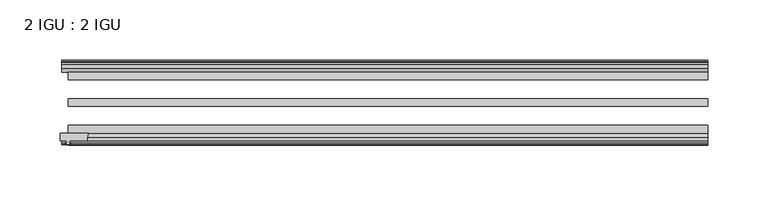
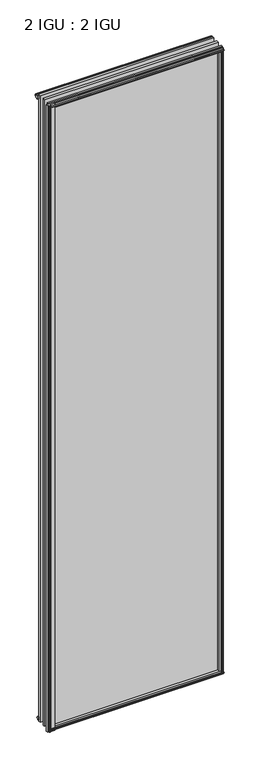
"""IFC4 building model written with IfcOpenShell, lengths in millimetres: plate geometry, 2 IGU : 2 IGU."""

from ifc_helpers import new_model, si_unit, point, frame, frame_2d, origin, origin_with_axes, place, context, project, spatial, polyline, circle_curve, trimmed, segment, composite_curve, outline, extrude, source, transform, mapped, element, save


def plate_2_igu_2_igu_997b8ff6(model_context):
    return source(origin(), model_context, "Body", "SweptSolid", [
        extrude(outline(polyline([(255.2472361, -10.4746158), (257.4247651, -9.7670937), (259.6022942, -10.4746158), (259.6022942, -11.27583), (258.1867651, -10.8158968), (258.5677651, -13.1960937), (263.0127651, -13.1960937), (263.0127651, -16.1424937), (260.178423, -19.5460937), (249.3570471, -19.5460937), (251.0747651, -13.1960937), (256.2817651, -13.1960937), (256.6627651, -10.8158968), (255.2472361, -11.27583), (255.2472361, -10.4746158)])), origin_with_axes(), (0.0, 0.0, 1.0), 1993.9),
        extrude(outline(composite_curve([segment(polyline([(-272.7790651, -69.9960936), (-249.5703365, -69.9960936)]), True, "CONTINUOUS"), segment(trimmed(circle_curve(frame_2d((-238.2129395, -75.0067563)), 12.4135896), [point((-249.5703365, -69.9960936))], [point((-250.5540651, -76.3460936))], True, "CARTESIAN"), True, "CONTINUOUS"), segment(polyline([(-250.5540651, -76.3460936), (-265.1590651, -76.3460936), (-265.4765651, -78.4506955), (-264.2579593, -78.124171), (-264.0541651, -78.884741), (-266.4290651, -79.5210936), (-268.8039651, -78.884741), (-268.600171, -78.124171), (-267.3815651, -78.4506955), (-267.6990651, -76.3460936), (-272.7790651, -76.3460936), (-272.7790651, -69.9960936)]), True, "CONTINUOUS")], self_intersect=False)), frame((0.0, 0.0, -12.4587), z_axis=(0.0, 0.0, 1.0), x_axis=(1.0, 0.0, 0.0)), (0.0, 0.0, 1.0), 2018.8174),
        extrude(outline(polyline([(-19.5460937, 1.5938931), (-13.1960937, -0.123825), (-13.1960937, -5.330825), (-10.8158968, -5.711825), (-11.27583, -4.2962959), (-10.4746158, -4.2962959), (-9.7670937, -6.473825), (-10.4746158, -8.6513541), (-11.27583, -8.6513541), (-10.8158968, -7.235825), (-13.1960937, -7.616825), (-13.1960937, -12.061825), (-16.1424937, -12.061825), (-19.5460937, -9.2274828), (-19.5460937, 1.5938931)])), frame((-266.4290651, 0.0, 0.0), z_axis=(1.0, 0.0, 0.0), x_axis=(0.0, 1.0, 0.0)), (0.0, 0.0, 1.0), 529.6831303),
        extrude(outline(polyline([(-69.9960936, 2.1145931), (-69.9960936, -8.7067828), (-73.3996936, -11.541125), (-76.3460936, -11.541125), (-76.3460936, -7.096125), (-78.7262905, -6.715125), (-78.2663573, -8.1306541), (-79.0675715, -8.1306541), (-79.7750936, -5.953125), (-79.0675715, -3.7755959), (-78.2663573, -3.7755959), (-78.7262905, -5.191125), (-76.3460936, -4.810125), (-76.3460936, 0.396875), (-69.9960936, 2.1145931)])), frame((-266.4290651, 0.0, 0.0), z_axis=(1.0, 0.0, 0.0), x_axis=(0.0, 1.0, 0.0)), (0.0, 0.0, 1.0), 529.6831303),
        extrude(outline(polyline([(-10.8158968, 2001.5327), (-11.27583, 2002.9482291), (-10.4746158, 2002.9482291), (-9.7670937, 2000.7707), (-10.4746158, 1998.5931709), (-11.27583, 1998.5931709), (-10.8158968, 2000.0087), (-13.1960937, 1999.6277), (-13.1960937, 1994.4207), (-19.5460937, 1992.7029819), (-19.5460937, 2003.5243578), (-16.1424937, 2006.3587), (-13.1960937, 2006.3587), (-13.1960937, 2001.9137), (-10.8158968, 2001.5327)])), frame((-271.775171, 0.0, 0.0), z_axis=(1.0, 0.0, 0.0), x_axis=(0.0, 1.0, 0.0)), (0.0, 0.0, 1.0), 535.0292362),
        extrude(outline(polyline([(-76.3460936, 2005.838), (-73.3996936, 2005.838), (-69.9960936, 2003.0036578), (-69.9960936, 1992.1822819), (-76.3460936, 1993.9), (-76.3460936, 1999.107), (-78.7262905, 1999.488), (-78.2663573, 1998.0724709), (-79.0675715, 1998.0724709), (-79.7750936, 2000.25), (-79.0675715, 2002.4275291), (-78.2663573, 2002.4275291), (-78.7262905, 2001.012), (-76.3460936, 2001.393), (-76.3460936, 2005.838)])), frame((-271.775171, 0.0, 0.0), z_axis=(1.0, 0.0, 0.0), x_axis=(0.0, 1.0, 0.0)), (0.0, 0.0, 1.0), 535.0292362),
        extrude(outline(polyline([(248.8363471, -69.9960936), (259.657723, -69.9960936), (262.4920651, -73.3996936), (262.4920651, -76.3460936), (258.0470651, -76.3460936), (257.6660651, -78.7262905), (259.0815942, -78.2663573), (259.0815942, -79.0675715), (256.9040651, -79.7750936), (254.7265361, -79.0675715), (254.7265361, -78.2663573), (256.1420651, -78.7262905), (255.7610651, -76.3460936), (250.5540651, -76.3460936), (248.8363471, -69.9960936)])), origin_with_axes(), (0.0, 0.0, 1.0), 1993.9),
        extrude(outline(polyline([(-257.4247651, -9.7670937), (-255.2472361, -10.4746158), (-255.2472361, -11.27583), (-256.6627651, -10.8158968), (-256.2817651, -13.1960937), (-251.0747651, -13.1960937), (-249.3570471, -19.5460937), (-260.178423, -19.5460937), (-263.0127651, -16.1424937), (-263.0127651, -13.1960937), (-258.5677651, -13.1960937), (-258.1867651, -10.8158968), (-259.6022942, -11.27583), (-259.6022942, -10.4746158), (-257.4247651, -9.7670937)])), origin_with_axes(), (0.0, 0.0, 1.0), 1993.9),
        extrude(outline(polyline([(263.2540651, -19.5460937), (263.2540651, -25.8960937), (-266.4290651, -25.8960937), (-266.4290651, -19.5460937), (263.2540651, -19.5460937)])), frame((0.0, 0.0, -12.303125), z_axis=(0.0, 0.0, 1.0), x_axis=(1.0, 0.0, 0.0)), (0.0, 0.0, 1.0), 2018.903125),
        extrude(outline(polyline([(-266.4290651, -41.5960937), (263.2540651, -41.5960937), (263.2540651, -47.9460937), (-266.4290651, -47.9460937), (-266.4290651, -41.5960937)])), frame((0.0, 0.0, -12.303125), z_axis=(0.0, 0.0, 1.0), x_axis=(1.0, 0.0, 0.0)), (0.0, 0.0, 1.0), 2018.903125),
        extrude(outline(polyline([(263.2540651, -63.6460936), (263.2540651, -69.9960936), (-266.4290651, -69.9960936), (-266.4290651, -63.6460936), (263.2540651, -63.6460936)])), frame((0.0, 0.0, -12.303125), z_axis=(0.0, 0.0, 1.0), x_axis=(1.0, 0.0, 0.0)), (0.0, 0.0, 1.0), 2018.903125),
    ])


if __name__ == "__main__":
    model = new_model("IFC4")
    model_context = context("Model", 3, world=origin())
    ifc_project = project(units=[si_unit("LENGTHUNIT", "METRE", prefix="MILLI")], contexts=[model_context])
    site = spatial("IfcSite", under=ifc_project)
    building = spatial("IfcBuilding", under=site)
    placement = place(None, origin())
    plate_2_igu_2_igu_shape = plate_2_igu_2_igu_997b8ff6(model_context)
    element("IfcPlate", 1, ObjectType="2 IGU : 2 IGU", at=placement, inside=building, context=model_context, shape_type="MappedRepresentation", body=[
        mapped(plate_2_igu_2_igu_shape, transform((0.0, 0.0, 0.0), x_axis=(1.0, 0.0, 0.0), y_axis=(0.0, 1.0, 0.0), z_axis=(0.0, 0.0, 1.0))),
    ])
    save(model, "model.ifc")
